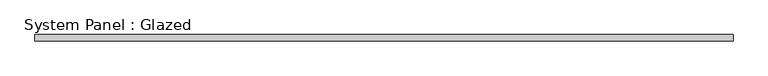
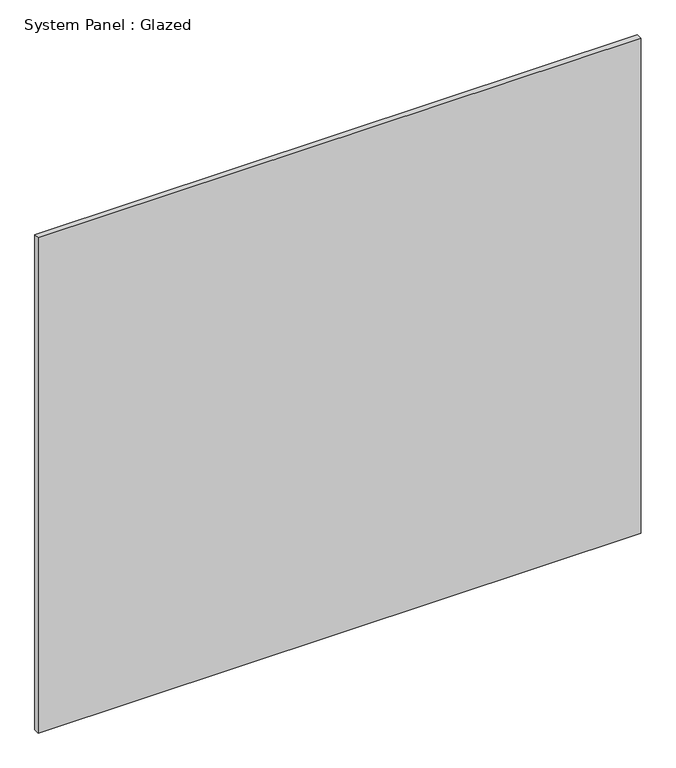
"""IFC4 building model written with IfcOpenShell, lengths in millimetres: plate geometry, System Panel : Glazed."""

from ifc_helpers import new_model, si_unit, origin, origin_with_axes, place, context, project, spatial, polyline, outline, extrude, source, transform, mapped, element, save


def system_panel_glazed_0e3b639c(model_context):
    return source(origin(), model_context, "Body", "SweptSolid", [
        extrude(outline(polyline([(1349.375, 19.05), (-1349.375, 19.05), (-1349.375, 44.45), (1349.375, 44.45), (1349.375, 19.05)])), origin_with_axes(), (0.0, 0.0, 1.0), 2343.15),
    ])


if __name__ == "__main__":
    model = new_model("IFC4")
    model_context = context("Model", 3, world=origin())
    ifc_project = project(units=[si_unit("LENGTHUNIT", "METRE", prefix="MILLI")], contexts=[model_context])
    site = spatial("IfcSite", under=ifc_project)
    building = spatial("IfcBuilding", under=site)
    placement = place(None, origin())
    system_panel_glazed_shape = system_panel_glazed_0e3b639c(model_context)
    element("IfcPlate", 1, ObjectType="System Panel : Glazed", at=placement, inside=building, context=model_context, shape_type="MappedRepresentation", body=[
        mapped(system_panel_glazed_shape, transform((0.0, 0.0, 0.0), x_axis=(1.0, 0.0, 0.0), y_axis=(0.0, 1.0, 0.0), z_axis=(0.0, 0.0, 1.0))),
    ])
    save(model, "model.ifc")
